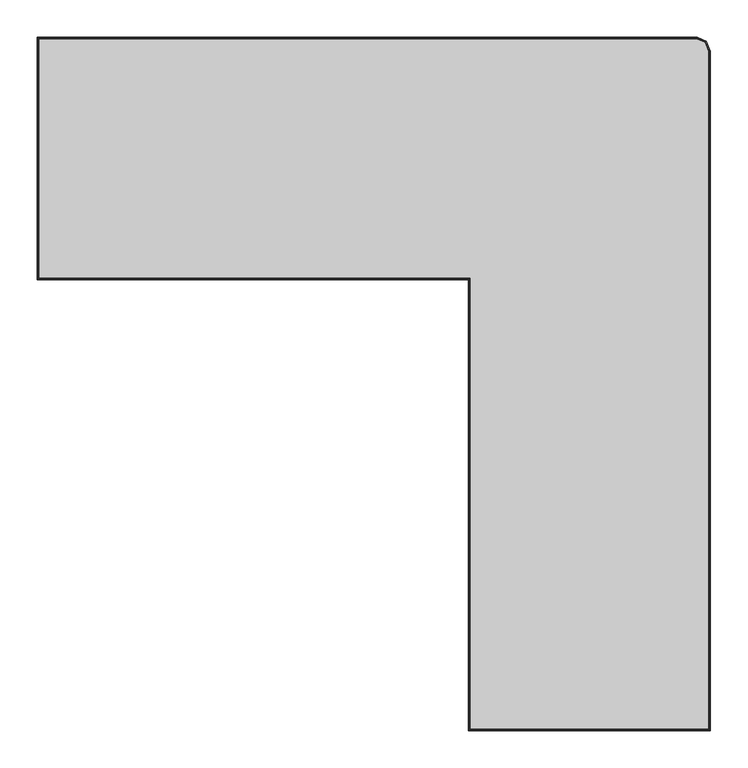
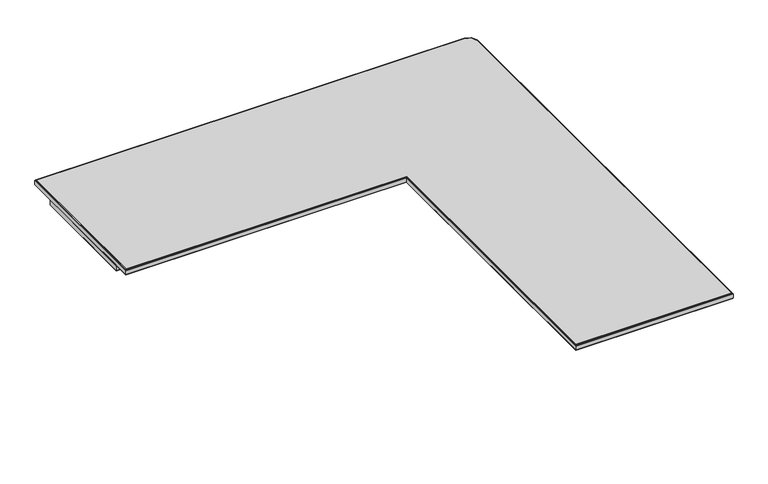
"""IFC4 building model written with IfcOpenShell, lengths in millimetres: furniture geometry."""

from ifc_helpers import new_model, si_unit, frame, origin, place, context, project, spatial, polyline, outline, extrude, faceted_brep, source, transform, mapped, element, save


def furniture_f5183d3d(model_context):
    return source(origin(), model_context, "Body", "SolidModel", [
        faceted_brep([(899.9524807, 56.0365193, 1064.7999767), (899.9524807, 56.0365193, 1056.7999563), (894.4893408, 69.2255661, 1056.7999563), (894.4893408, 69.2255661, 1064.7999767), (899.366688, 55.9199968, 1066.2142073), (894.0409956, 68.7772193, 1066.2142073), (897.9525301, 55.6387005, 1066.8), (892.9586489, 67.6948687, 1066.8), (897.9525301, 55.6387005, 1054.8000057), (892.9586489, 67.6948687, 1054.8000057), (899.366688, 55.9199968, 1055.3857985), (894.0409956, 68.7772193, 1055.3857985), (882.128135, 74.3457482, 1056.7999563), (882.128135, 74.3457482, 1064.7999767), (882.0116135, 73.7599554, 1066.2142073), (881.7303198, 72.3457976, 1066.8), (881.7303198, 72.3457976, 1054.8000057), (882.0116135, 73.7599554, 1055.3857985), (-0.2473506, 74.3457482, 1056.7999563), (-0.2473506, 74.3457482, 1064.7999767), (0.3384421, 73.7599554, 1066.2142073), (1.7526, 72.3457976, 1066.8), (1.7526, 72.3457976, 1054.8000057), (0.3384421, 73.7599554, 1055.3857985), (-0.2473506, -249.5041564, 1056.7999563), (-0.2473506, -249.5041564, 1064.7999767), (0.3384421, -248.9183637, 1066.2142073), (1.7526, -247.5042058, 1066.8), (1.7526, -247.5042058, 1054.8000057), (0.3384421, -248.9183637, 1055.3857985), (576.1025534, -249.5041564, 1056.7999563), (576.1025534, -249.5041564, 1064.7999767), (576.6883461, -248.9183637, 1066.2142073), (578.102504, -247.5042058, 1066.8), (578.102504, -247.5042058, 1054.8000057), (576.6883461, -248.9183637, 1055.3857985), (576.1025534, -852.2512499, 1056.7999563), (576.1025534, -852.2512499, 1064.7999767), (576.6883461, -851.6654572, 1066.2142073), (578.102504, -850.2512993, 1066.8), (578.102504, -850.2512993, 1054.8000057), (576.6883461, -851.6654572, 1055.3857985), (899.9524807, -852.2512499, 1056.7999563), (899.9524807, -852.2512499, 1064.7999767), (899.366688, -851.6654572, 1066.2142073), (897.9525301, -850.2512993, 1066.8), (897.9525301, -850.2512993, 1054.8000057), (899.366688, -851.6654572, 1055.3857985)], [[[0, 1, 2, 3]], [[4, 0, 3, 5]], [[6, 4, 5, 7]], [[8, 6, 7, 9]], [[10, 8, 9, 11]], [[1, 10, 11, 2]], [[3, 2, 12, 13]], [[5, 3, 13, 14]], [[7, 5, 14, 15]], [[9, 7, 15, 16]], [[11, 9, 16, 17]], [[2, 11, 17, 12]], [[13, 12, 18, 19]], [[14, 13, 19, 20]], [[15, 14, 20, 21]], [[16, 15, 21, 22]], [[17, 16, 22, 23]], [[12, 17, 23, 18]], [[19, 18, 24, 25]], [[20, 19, 25, 26]], [[21, 20, 26, 27]], [[22, 21, 27, 28]], [[23, 22, 28, 29]], [[18, 23, 29, 24]], [[25, 24, 30, 31]], [[26, 25, 31, 32]], [[27, 26, 32, 33]], [[28, 27, 33, 34]], [[29, 28, 34, 35]], [[24, 29, 35, 30]], [[31, 30, 36, 37]], [[32, 31, 37, 38]], [[33, 32, 38, 39]], [[34, 33, 39, 40]], [[35, 34, 40, 41]], [[30, 35, 41, 36]], [[37, 36, 42, 43]], [[38, 37, 43, 44]], [[39, 38, 44, 45]], [[40, 39, 45, 46]], [[41, 40, 46, 47]], [[36, 41, 47, 42]], [[43, 42, 1, 0]], [[44, 43, 0, 4]], [[45, 44, 4, 6]], [[46, 45, 6, 8]], [[47, 46, 8, 10]], [[42, 47, 10, 1]]]),
        faceted_brep([(611.1024519, -216.161297, 1044.799962), (611.1024519, -216.161297, 1054.8000057), (613.1024752, -216.161297, 1054.8000057), (613.1024752, -216.161297, 1042.8000114), (611.6882446, -216.161297, 1043.3858042), (611.1024519, -826.8513226, 1044.799962), (611.1024519, -826.8513226, 1054.8000057), (845.9025095, -826.8513226, 1054.8000057), (845.9025095, 20.2958235, 1054.8000057), (0.0065767, 20.2958235, 1054.8000057), (0.0065767, -214.5042216, 1054.8000057), (609.9303329, -214.5042216, 1054.8000057), (609.9303329, -212.5041983, 1054.8000057), (2.0066, -212.5041983, 1054.8000057), (2.0066, 18.2958003, 1054.8000057), (843.9024862, 18.2958003, 1054.8000057), (843.9024862, -824.8512993, 1054.8000057), (613.1024752, -824.8512993, 1054.8000057), (613.1024752, -824.8512993, 1042.8000114), (611.6882446, -826.2655298, 1043.3858042), (845.9025095, -826.8513226, 1044.799962), (843.9024862, -824.8512993, 1042.8000114), (845.3167168, -826.2655298, 1043.3858042), (845.9025095, 20.2958235, 1044.799962), (843.9024862, 18.2958003, 1042.8000114), (845.3167168, 19.7100308, 1043.3858042), (0.0065767, 20.2958235, 1044.799962), (2.0066, 18.2958003, 1042.8000114), (0.5923695, 19.7100308, 1043.3858042), (0.0065767, -214.5042216, 1044.799962), (2.0066, -212.5041983, 1042.8000114), (0.5923695, -213.9184289, 1043.3858042), (609.9303329, -214.5042216, 1044.799962), (609.9303329, -213.9184289, 1043.3858042), (609.9303329, -212.5041983, 1042.8000114)], [[[0, 1, 2, 3, 4]], [[1, 0, 5, 6]], [[2, 1, 6, 7, 8, 9, 10, 11, 12, 13, 14, 15, 16, 17]], [[3, 2, 17, 18]], [[4, 3, 18, 19]], [[0, 4, 19, 5]], [[6, 5, 20, 7]], [[18, 17, 16, 21]], [[19, 18, 21, 22]], [[5, 19, 22, 20]], [[7, 20, 23, 8]], [[21, 16, 15, 24]], [[22, 21, 24, 25]], [[20, 22, 25, 23]], [[8, 23, 26, 9]], [[24, 15, 14, 27]], [[25, 24, 27, 28]], [[23, 25, 28, 26]], [[9, 26, 29, 10]], [[27, 14, 13, 30]], [[28, 27, 30, 31]], [[26, 28, 31, 29]], [[32, 33, 34, 12, 11]], [[10, 29, 32, 11]], [[30, 13, 12, 34]], [[31, 30, 34, 33]], [[29, 31, 33, 32]]]),
        extrude(outline(polyline([(843.9024862, 18.2958003), (843.9024862, -824.8512993), (613.1024752, -824.8512993), (613.1024752, -216.161297), (611.9309624, -213.3328723), (609.9303329, -212.5041983), (2.0066, -212.5041983), (2.0066, 18.2958003), (843.9024862, 18.2958003)])), frame((0.0, 0.0, 1042.8000114), z_axis=(0.0, 0.0, 1.0), x_axis=(1.0, 0.0, 0.0)), (0.0, 0.0, 1.0), 11.9999943),
        extrude(outline(polyline([(881.7303198, 72.3457976), (892.9586489, 67.6948687), (897.9525301, 55.6387005), (897.9525301, -850.2512993), (578.102504, -850.2512993), (578.102504, -247.5042058), (1.7526, -247.5042058), (1.7526, 72.3457976), (881.7303198, 72.3457976)])), frame((0.0, 0.0, 1054.8000057), z_axis=(0.0, 0.0, 1.0), x_axis=(1.0, 0.0, 0.0)), (0.0, 0.0, 1.0), 12.0030057),
    ])


if __name__ == "__main__":
    model = new_model("IFC4")
    model_context = context("Model", 3, world=origin())
    ifc_project = project(units=[si_unit("LENGTHUNIT", "METRE", prefix="MILLI")], contexts=[model_context])
    site = spatial("IfcSite", under=ifc_project)
    building = spatial("IfcBuilding", under=site)
    placement = place(None, origin())
    furniture_shape = furniture_f5183d3d(model_context)
    element("IfcFurniture", 1, at=placement, inside=building, context=model_context, shape_type="MappedRepresentation", body=[
        mapped(furniture_shape, transform((0.0, 0.0, 0.0), x_axis=(1.0, 0.0, 0.0), y_axis=(0.0, 1.0, 0.0), z_axis=(0.0, 0.0, 1.0))),
    ])
    save(model, "model.ifc")
